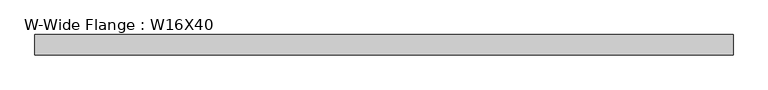
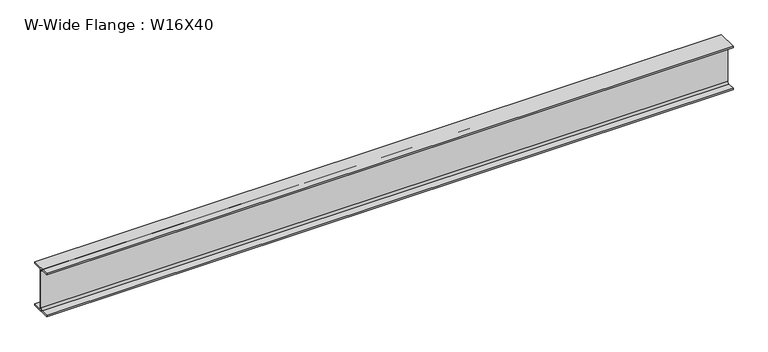
"""IFC4 building model written with IfcOpenShell, lengths in millimetres: beam geometry, W-Wide Flange : W16X40."""

from ifc_helpers import new_model, si_unit, point, frame, frame_2d, origin, place, context, project, spatial, polyline, circle_curve, trimmed, segment, composite_curve, outline, extrude, source, transform, mapped, element, save


def w_wide_flange_w16x40_3d574e38(model_context):
    return source(origin(), model_context, "Body", "SweptSolid", [
        extrude(outline(composite_curve([segment(polyline([(88.9, -190.4), (88.9, -203.2), (-88.9, -203.2), (-88.9, -190.4), (-21.25, -190.4)]), True, "CONTINUOUS"), segment(trimmed(circle_curve(frame_2d((-21.25, -173.0)), 17.4), [point((-21.25, -190.4))], [point((-3.85, -173.0))], True, "CARTESIAN"), True, "CONTINUOUS"), segment(polyline([(-3.85, -173.0), (-3.85, 173.0)]), True, "CONTINUOUS"), segment(trimmed(circle_curve(frame_2d((-21.25, 173.0)), 17.4), [point((-3.85, 173.0))], [point((-21.25, 190.4))], True, "CARTESIAN"), True, "CONTINUOUS"), segment(polyline([(-21.25, 190.4), (-88.9, 190.4), (-88.9, 203.2), (88.9, 203.2), (88.9, 190.4), (21.25, 190.4)]), True, "CONTINUOUS"), segment(trimmed(circle_curve(frame_2d((21.25, 173.0)), 17.4), [point((21.25, 190.4))], [point((3.85, 173.0))], True, "CARTESIAN"), True, "CONTINUOUS"), segment(polyline([(3.85, 173.0), (3.85, -173.0)]), True, "CONTINUOUS"), segment(trimmed(circle_curve(frame_2d((21.25, -173.0)), 17.4), [point((3.85, -173.0))], [point((21.25, -190.4))], True, "CARTESIAN"), True, "CONTINUOUS"), segment(polyline([(21.25, -190.4), (88.9, -190.4)]), True, "CONTINUOUS")], self_intersect=False)), frame((-738.491694, 0.0, 0.0), z_axis=(1.0, 0.0, 0.0), x_axis=(0.0, 1.0, 0.0)), (0.0, 0.0, 1.0), 6079.5508102),
    ])


if __name__ == "__main__":
    model = new_model("IFC4")
    model_context = context("Model", 3, world=origin())
    ifc_project = project(units=[si_unit("LENGTHUNIT", "METRE", prefix="MILLI")], contexts=[model_context])
    site = spatial("IfcSite", under=ifc_project)
    building = spatial("IfcBuilding", under=site)
    placement = place(None, origin())
    w_wide_flange_w16x40_shape = w_wide_flange_w16x40_3d574e38(model_context)
    element("IfcBeam", 1, ObjectType="W-Wide Flange : W16X40", at=placement, inside=building, context=model_context, shape_type="MappedRepresentation", body=[
        mapped(w_wide_flange_w16x40_shape, transform((0.0, 0.0, 0.0), x_axis=(1.0, 0.0, 0.0), y_axis=(0.0, 1.0, 0.0), z_axis=(0.0, 0.0, 1.0))),
    ])
    save(model, "model.ifc")
